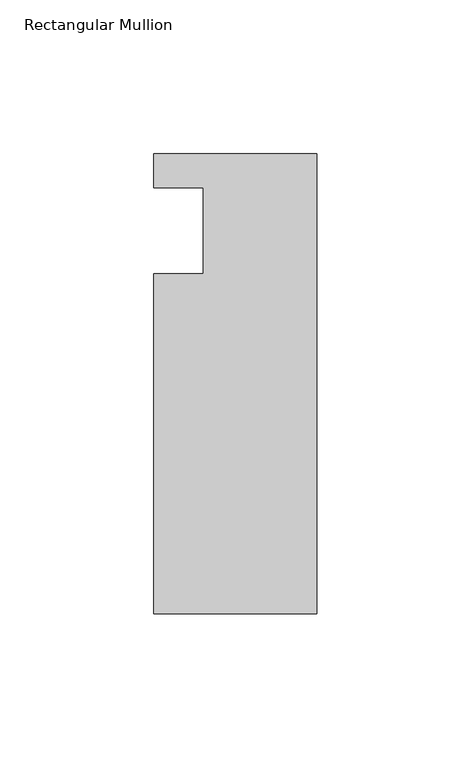
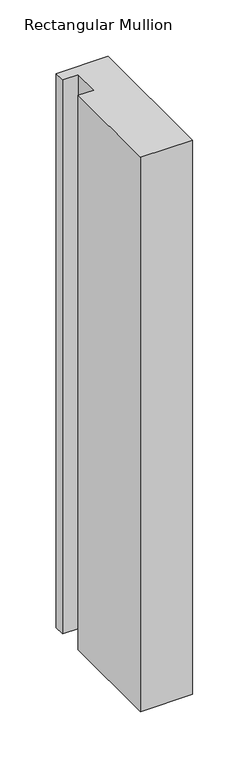
"""IFC4 building model written with IfcOpenShell, lengths in millimetres: member geometry, Rectangular Mullion."""

from ifc_helpers import new_model, si_unit, frame, origin, place, context, project, spatial, polyline, outline, extrude, source, transform, mapped, element, save


def rectangular_mullion_42eebe27(model_context):
    return source(origin(), model_context, "Body", "SweptSolid", [
        extrude(outline(polyline([(0.0, 25.0), (0.0, -124.5), (-53.0, -124.5), (-53.0, -14.0), (-37.0, -14.0), (-37.0, 14.0), (-53.0, 14.0), (-53.0, 25.0), (0.0, 25.0)])), frame((0.0, 0.0, -599.0000104), z_axis=(0.0, 0.0, 1.0), x_axis=(1.0, 0.0, 0.0)), (0.0, 0.0, 1.0), 599.0000104),
    ])


if __name__ == "__main__":
    model = new_model("IFC4")
    model_context = context("Model", 3, world=origin())
    ifc_project = project(units=[si_unit("LENGTHUNIT", "METRE", prefix="MILLI")], contexts=[model_context])
    site = spatial("IfcSite", under=ifc_project)
    building = spatial("IfcBuilding", under=site)
    placement = place(None, origin())
    rectangular_mullion_shape = rectangular_mullion_42eebe27(model_context)
    element("IfcMember", 1, ObjectType="Rectangular Mullion", at=placement, inside=building, context=model_context, shape_type="MappedRepresentation", body=[
        mapped(rectangular_mullion_shape, transform((0.0, 0.0, 0.0), x_axis=(1.0, 0.0, 0.0), y_axis=(0.0, 1.0, 0.0), z_axis=(0.0, 0.0, 1.0))),
    ])
    save(model, "model.ifc")
